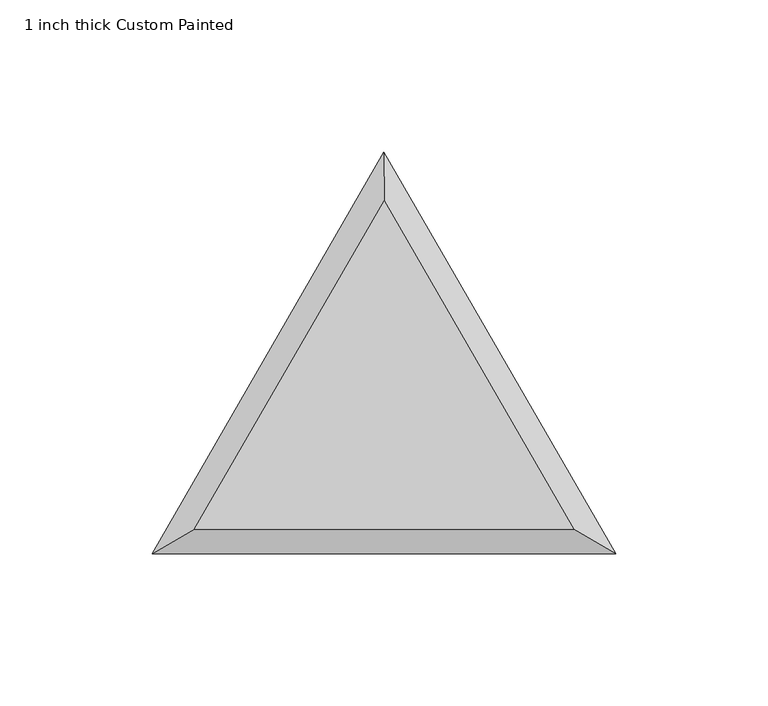
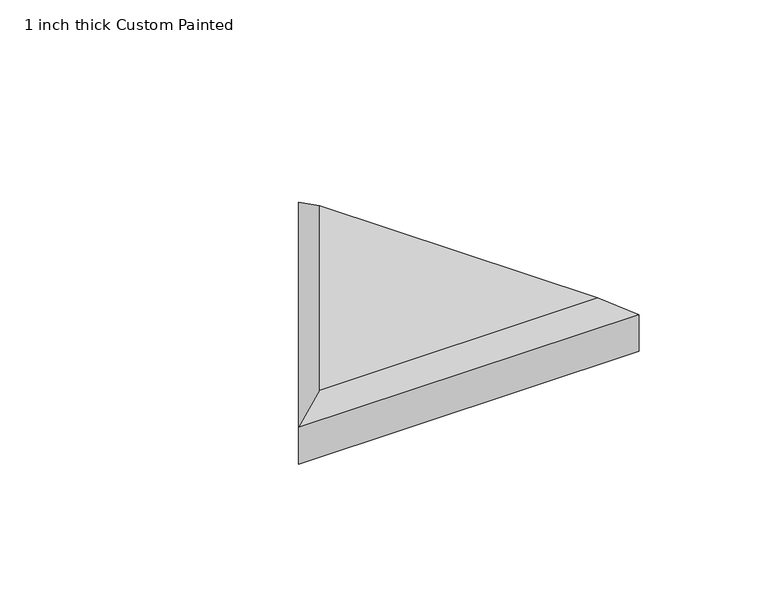
"""IFC4 building model written with IfcOpenShell, lengths in millimetres: proxy geometry, 1 inch thick Custom Painted."""

from ifc_helpers import new_model, si_unit, origin, place, context, project, spatial, faceted_brep, source, transform, mapped, element, save


def proxy_1_inch_thick_custom_painted_947e737a(model_context):
    return source(origin(), model_context, "Body", "Brep", [
        faceted_brep([(0.0, 115.9802715, 25.4), (-62.3418615, 8.001, 25.4), (62.3418615, 8.001, 25.4), (76.2, 0.0, 0.0), (-76.2, 0.0, 0.0), (0.0, 131.9822715, 0.0), (0.0, 131.9822715, 17.399), (76.2, 0.0, 17.399), (-76.2, 0.0, 17.399)], [[[0, 1, 2]], [[3, 4, 5]], [[3, 5, 6, 7]], [[5, 4, 8, 6]], [[4, 3, 7, 8]], [[8, 1, 0, 6]], [[1, 8, 7, 2]], [[6, 0, 2, 7]]]),
    ])


if __name__ == "__main__":
    model = new_model("IFC4")
    model_context = context("Model", 3, world=origin())
    ifc_project = project(units=[si_unit("LENGTHUNIT", "METRE", prefix="MILLI")], contexts=[model_context])
    site = spatial("IfcSite", under=ifc_project)
    building = spatial("IfcBuilding", under=site)
    placement = place(None, origin())
    proxy_1_inch_thick_custom_painted_shape = proxy_1_inch_thick_custom_painted_947e737a(model_context)
    element("IfcBuildingElementProxy", 1, Name="1 inch thick Custom Painted", ObjectType="1 inch thick Custom Painted", at=placement, inside=building, context=model_context, shape_type="MappedRepresentation", body=[
        mapped(proxy_1_inch_thick_custom_painted_shape, transform((0.0, 0.0, 0.0), x_axis=(1.0, 0.0, 0.0), y_axis=(0.0, 1.0, 0.0), z_axis=(0.0, 0.0, 1.0))),
    ])
    save(model, "model.ifc")
